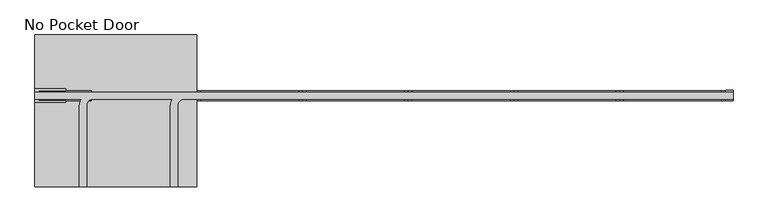
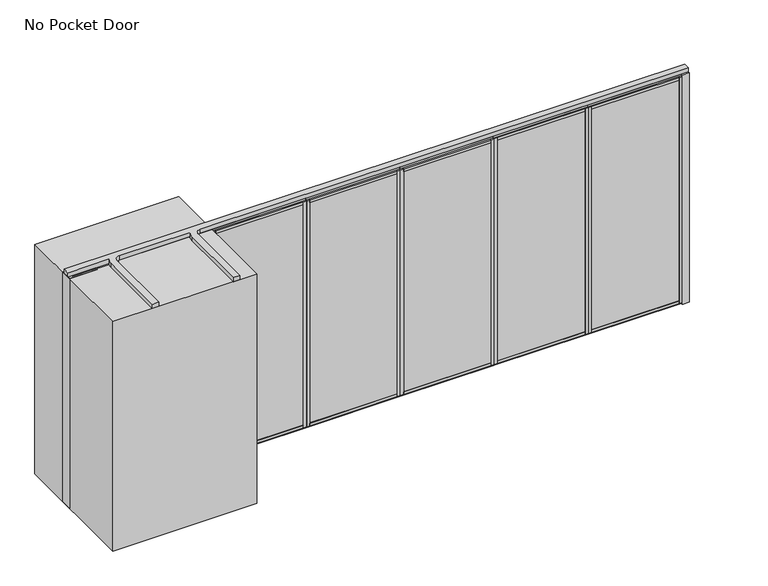
"""IFC4 building model written with IfcOpenShell, lengths in millimetres: proxy geometry, No Pocket Door."""

from ifc_helpers import new_model, si_unit, point, frame, frame_2d, origin, origin_with_axes, place, context, project, spatial, polyline, circle_curve, trimmed, segment, composite_curve, outline, extrude, source, transform, mapped, element, save


def no_pocket_door_28fb4e75(model_context):
    return source(origin(), model_context, "Body", "SweptSolid", [
        extrude(outline(polyline([(3361.101883, 34.13125), (4423.4039664, 34.13125), (4423.4039664, -34.13125), (3361.101883, -34.13125), (3361.101883, 34.13125)])), origin_with_axes(), (0.0, 0.0, 1.0), 22.225),
        extrude(outline(polyline([(3361.101883, 34.13125), (4423.4039664, 34.13125), (4423.4039664, -34.13125), (3361.101883, -34.13125), (3361.101883, 34.13125)])), frame((0.0, 0.0, 2720.975), z_axis=(0.0, 0.0, 1.0), x_axis=(1.0, 0.0, 0.0)), (0.0, 0.0, 1.0), 22.225),
        extrude(outline(polyline([(3396.280883, -50.8), (3361.355883, -50.8), (3361.355883, 50.8), (3396.280883, 50.8), (3396.280883, -50.8)])), frame((0.0, 0.0, 22.225), z_axis=(0.0, 0.0, 1.0), x_axis=(1.0, 0.0, 0.0)), (0.0, 0.0, 1.0), 2698.75),
        extrude(outline(polyline([(4388.2249664, -50.8), (4388.2249664, 50.8), (4423.1499664, 50.8), (4423.1499664, -50.8), (4388.2249664, -50.8)])), frame((0.0, 0.0, 22.225), z_axis=(0.0, 0.0, 1.0), x_axis=(1.0, 0.0, 0.0)), (0.0, 0.0, 1.0), 2698.75),
        extrude(outline(polyline([(0.0, 9.525), (1036.9020834, 9.525), (1036.9020834, 0.0), (0.0, 0.0), (0.0, 9.525)])), frame((4410.7039664, -36.5125, 52.3875), z_axis=(0.0, 1.4530598946293796e-12, 1.0), x_axis=(-1.0, 0.0, 0.0)), (0.0, 0.0, 1.0), 2638.425),
        extrude(outline(polyline([(0.0, 7.9375), (1036.9020834, 7.9375), (1036.9020834, 0.0), (0.0, 0.0), (0.0, 7.9375)])), frame((4410.7039664, 44.45, 52.3875), z_axis=(0.0, -1.775646296664526e-12, 1.0), x_axis=(-1.0, 0.0, 0.0)), (0.0, 0.0, 1.0), 2638.425),
        extrude(outline(polyline([(36.5125, 2605.0875), (-36.5125, 2605.0875), (-36.5125, 2690.8125), (-50.8, 2690.8125), (-50.8, 2720.975), (50.8, 2720.975), (50.8, 2690.8125), (36.5125, 2690.8125), (36.5125, 2605.0875)])), frame((3396.280883, 0.0, 0.0), z_axis=(1.0, 0.0, 0.0), x_axis=(0.0, 1.0, 0.0)), (0.0, 0.0, 1.0), 991.9440833),
        extrude(outline(polyline([(50.8, 22.225), (-50.8, 22.225), (-50.8, 52.3875), (-36.5125, 52.3875), (-36.5125, 138.1125), (36.5125, 138.1125), (36.5125, 52.3875), (50.8, 52.3875), (50.8, 22.225)])), frame((3396.280883, 0.0, 0.0), z_axis=(1.0, 0.0, 0.0), x_axis=(0.0, 1.0, 0.0)), (0.0, 0.0, 1.0), 991.9440833),
        extrude(outline(polyline([(2299.7522997, 34.13125), (3362.054383, 34.13125), (3362.054383, -34.13125), (2299.7522997, -34.13125), (2299.7522997, 34.13125)])), origin_with_axes(), (0.0, 0.0, 1.0), 22.225),
        extrude(outline(polyline([(2299.7522997, 34.13125), (3362.054383, 34.13125), (3362.054383, -34.13125), (2299.7522997, -34.13125), (2299.7522997, 34.13125)])), frame((0.0, 0.0, 2720.975), z_axis=(0.0, 0.0, 1.0), x_axis=(1.0, 0.0, 0.0)), (0.0, 0.0, 1.0), 22.225),
        extrude(outline(polyline([(2334.9312997, -50.8), (2300.0062997, -50.8), (2300.0062997, 50.8), (2334.9312997, 50.8), (2334.9312997, -50.8)])), frame((0.0, 0.0, 22.225), z_axis=(0.0, 0.0, 1.0), x_axis=(1.0, 0.0, 0.0)), (0.0, 0.0, 1.0), 2698.75),
        extrude(outline(polyline([(3326.875383, -50.8), (3326.875383, 50.8), (3361.800383, 50.8), (3361.800383, -50.8), (3326.875383, -50.8)])), frame((0.0, 0.0, 22.225), z_axis=(0.0, 0.0, 1.0), x_axis=(1.0, 0.0, 0.0)), (0.0, 0.0, 1.0), 2698.75),
        extrude(outline(polyline([(0.0, 9.525), (1036.9020833, 9.525), (1036.9020833, 0.0), (0.0, 0.0), (0.0, 9.525)])), frame((3349.354383, -36.5125, 52.3875), z_axis=(0.0, 1.4530598946293796e-12, 1.0), x_axis=(-1.0, 0.0, 0.0)), (0.0, 0.0, 1.0), 2638.425),
        extrude(outline(polyline([(0.0, 7.9375), (1036.9020833, 7.9375), (1036.9020833, 0.0), (0.0, 0.0), (0.0, 7.9375)])), frame((3349.354383, 44.45, 52.3875), z_axis=(0.0, -1.775646296664526e-12, 1.0), x_axis=(-1.0, 0.0, 0.0)), (0.0, 0.0, 1.0), 2638.425),
        extrude(outline(polyline([(36.5125, 2605.0875), (-36.5125, 2605.0875), (-36.5125, 2690.8125), (-50.8, 2690.8125), (-50.8, 2720.975), (50.8, 2720.975), (50.8, 2690.8125), (36.5125, 2690.8125), (36.5125, 2605.0875)])), frame((2334.9312997, 0.0, 0.0), z_axis=(1.0, 0.0, 0.0), x_axis=(0.0, 1.0, 0.0)), (0.0, 0.0, 1.0), 991.9440833),
        extrude(outline(polyline([(50.8, 22.225), (-50.8, 22.225), (-50.8, 52.3875), (-36.5125, 52.3875), (-36.5125, 138.1125), (36.5125, 138.1125), (36.5125, 52.3875), (50.8, 52.3875), (50.8, 22.225)])), frame((2334.9312997, 0.0, 0.0), z_axis=(1.0, 0.0, 0.0), x_axis=(0.0, 1.0, 0.0)), (0.0, 0.0, 1.0), 991.9440833),
        extrude(outline(polyline([(1238.4027164, 34.13125), (2300.7047997, 34.13125), (2300.7047997, -34.13125), (1238.4027164, -34.13125), (1238.4027164, 34.13125)])), origin_with_axes(), (0.0, 0.0, 1.0), 22.225),
        extrude(outline(polyline([(1238.4027164, 34.13125), (2300.7047997, 34.13125), (2300.7047997, -34.13125), (1238.4027164, -34.13125), (1238.4027164, 34.13125)])), frame((0.0, 0.0, 2720.975), z_axis=(0.0, 0.0, 1.0), x_axis=(1.0, 0.0, 0.0)), (0.0, 0.0, 1.0), 22.225),
        extrude(outline(polyline([(1273.5817164, -50.8), (1238.6567164, -50.8), (1238.6567164, 50.8), (1273.5817164, 50.8), (1273.5817164, -50.8)])), frame((0.0, 0.0, 22.225), z_axis=(0.0, 0.0, 1.0), x_axis=(1.0, 0.0, 0.0)), (0.0, 0.0, 1.0), 2698.75),
        extrude(outline(polyline([(2265.5257997, -50.8), (2265.5257997, 50.8), (2300.4507997, 50.8), (2300.4507997, -50.8), (2265.5257997, -50.8)])), frame((0.0, 0.0, 22.225), z_axis=(0.0, 0.0, 1.0), x_axis=(1.0, 0.0, 0.0)), (0.0, 0.0, 1.0), 2698.75),
        extrude(outline(polyline([(0.0, 9.525), (1036.9020833, 9.525), (1036.9020833, 0.0), (0.0, 0.0), (0.0, 9.525)])), frame((2288.0047997, -36.5125, 52.3875), z_axis=(0.0, 1.4530598946293796e-12, 1.0), x_axis=(-1.0, 0.0, 0.0)), (0.0, 0.0, 1.0), 2638.425),
        extrude(outline(polyline([(0.0, 7.9375), (1036.9020833, 7.9375), (1036.9020833, 0.0), (0.0, 0.0), (0.0, 7.9375)])), frame((2288.0047997, 44.45, 52.3875), z_axis=(0.0, -1.775646296664526e-12, 1.0), x_axis=(-1.0, 0.0, 0.0)), (0.0, 0.0, 1.0), 2638.425),
        extrude(outline(polyline([(36.5125, 2605.0875), (-36.5125, 2605.0875), (-36.5125, 2690.8125), (-50.8, 2690.8125), (-50.8, 2720.975), (50.8, 2720.975), (50.8, 2690.8125), (36.5125, 2690.8125), (36.5125, 2605.0875)])), frame((1273.5817164, 0.0, 0.0), z_axis=(1.0, 0.0, 0.0), x_axis=(0.0, 1.0, 0.0)), (0.0, 0.0, 1.0), 991.9440833),
        extrude(outline(polyline([(50.8, 22.225), (-50.8, 22.225), (-50.8, 52.3875), (-36.5125, 52.3875), (-36.5125, 138.1125), (36.5125, 138.1125), (36.5125, 52.3875), (50.8, 52.3875), (50.8, 22.225)])), frame((1273.5817164, 0.0, 0.0), z_axis=(1.0, 0.0, 0.0), x_axis=(0.0, 1.0, 0.0)), (0.0, 0.0, 1.0), 991.9440833),
        extrude(outline(polyline([(177.053133, 34.13125), (1239.3552164, 34.13125), (1239.3552164, -34.13125), (177.053133, -34.13125), (177.053133, 34.13125)])), origin_with_axes(), (0.0, 0.0, 1.0), 22.225),
        extrude(outline(polyline([(177.053133, 34.13125), (1239.3552164, 34.13125), (1239.3552164, -34.13125), (177.053133, -34.13125), (177.053133, 34.13125)])), frame((0.0, 0.0, 2720.975), z_axis=(0.0, 0.0, 1.0), x_axis=(1.0, 0.0, 0.0)), (0.0, 0.0, 1.0), 22.225),
        extrude(outline(polyline([(212.232133, -50.8), (177.307133, -50.8), (177.307133, 50.8), (212.232133, 50.8), (212.232133, -50.8)])), frame((0.0, 0.0, 22.225), z_axis=(0.0, 0.0, 1.0), x_axis=(1.0, 0.0, 0.0)), (0.0, 0.0, 1.0), 2698.75),
        extrude(outline(polyline([(1204.1762164, -50.8), (1204.1762164, 50.8), (1239.1012164, 50.8), (1239.1012164, -50.8), (1204.1762164, -50.8)])), frame((0.0, 0.0, 22.225), z_axis=(0.0, 0.0, 1.0), x_axis=(1.0, 0.0, 0.0)), (0.0, 0.0, 1.0), 2698.75),
        extrude(outline(polyline([(0.0, 9.525), (1036.9020834, 9.525), (1036.9020834, 0.0), (0.0, 0.0), (0.0, 9.525)])), frame((1226.6552164, -36.5125, 52.3875), z_axis=(0.0, 1.4530598946293796e-12, 1.0), x_axis=(-1.0, 0.0, 0.0)), (0.0, 0.0, 1.0), 2638.425),
        extrude(outline(polyline([(0.0, 7.9375), (1036.9020834, 7.9375), (1036.9020834, 0.0), (0.0, 0.0), (0.0, 7.9375)])), frame((1226.6552164, 44.45, 52.3875), z_axis=(0.0, -1.775646296664526e-12, 1.0), x_axis=(-1.0, 0.0, 0.0)), (0.0, 0.0, 1.0), 2638.425),
        extrude(outline(polyline([(36.5125, 2605.0875), (-36.5125, 2605.0875), (-36.5125, 2690.8125), (-50.8, 2690.8125), (-50.8, 2720.975), (50.8, 2720.975), (50.8, 2690.8125), (36.5125, 2690.8125), (36.5125, 2605.0875)])), frame((212.232133, 0.0, 0.0), z_axis=(1.0, 0.0, 0.0), x_axis=(0.0, 1.0, 0.0)), (0.0, 0.0, 1.0), 991.9440833),
        extrude(outline(polyline([(50.8, 22.225), (-50.8, 22.225), (-50.8, 52.3875), (-36.5125, 52.3875), (-36.5125, 138.1125), (36.5125, 138.1125), (36.5125, 52.3875), (50.8, 52.3875), (50.8, 22.225)])), frame((212.232133, 0.0, 0.0), z_axis=(1.0, 0.0, 0.0), x_axis=(0.0, 1.0, 0.0)), (0.0, 0.0, 1.0), 991.9440833),
        extrude(outline(polyline([(4422.4514664, 34.13125), (5484.7535497, 34.13125), (5484.7535497, -34.13125), (4422.4514664, -34.13125), (4422.4514664, 34.13125)])), origin_with_axes(), (0.0, 0.0, 1.0), 22.225),
        extrude(outline(polyline([(4422.4514664, 34.13125), (5484.7535497, 34.13125), (5484.7535497, -34.13125), (4422.4514664, -34.13125), (4422.4514664, 34.13125)])), frame((0.0, 0.0, 2720.975), z_axis=(0.0, 0.0, 1.0), x_axis=(1.0, 0.0, 0.0)), (0.0, 0.0, 1.0), 22.225),
        extrude(outline(polyline([(4457.6304664, -50.8), (4422.7054664, -50.8), (4422.7054664, 50.8), (4457.6304664, 50.8), (4457.6304664, -50.8)])), frame((0.0, 0.0, 22.225), z_axis=(0.0, 0.0, 1.0), x_axis=(1.0, 0.0, 0.0)), (0.0, 0.0, 1.0), 2698.75),
        extrude(outline(polyline([(5449.5745497, -50.8), (5449.5745497, 50.8), (5484.4995497, 50.8), (5484.4995497, -50.8), (5449.5745497, -50.8)])), frame((0.0, 0.0, 22.225), z_axis=(0.0, 0.0, 1.0), x_axis=(1.0, 0.0, 0.0)), (0.0, 0.0, 1.0), 2698.75),
        extrude(outline(polyline([(0.0, 9.525), (1036.9020833, 9.525), (1036.9020833, 0.0), (0.0, 0.0), (0.0, 9.525)])), frame((5472.0535497, -36.5125, 52.3875), z_axis=(0.0, 1.4530598946293796e-12, 1.0), x_axis=(-1.0, 0.0, 0.0)), (0.0, 0.0, 1.0), 2638.425),
        extrude(outline(polyline([(0.0, 7.9375), (1036.9020833, 7.9375), (1036.9020833, 0.0), (0.0, 0.0), (0.0, 7.9375)])), frame((5472.0535497, 44.45, 52.3875), z_axis=(0.0, -1.775646296664526e-12, 1.0), x_axis=(-1.0, 0.0, 0.0)), (0.0, 0.0, 1.0), 2638.425),
        extrude(outline(polyline([(36.5125, 2605.0875), (-36.5125, 2605.0875), (-36.5125, 2690.8125), (-50.8, 2690.8125), (-50.8, 2720.975), (50.8, 2720.975), (50.8, 2690.8125), (36.5125, 2690.8125), (36.5125, 2605.0875)])), frame((4457.6304664, 0.0, 0.0), z_axis=(1.0, 0.0, 0.0), x_axis=(0.0, 1.0, 0.0)), (0.0, 0.0, 1.0), 991.9440833),
        extrude(outline(polyline([(50.8, 22.225), (-50.8, 22.225), (-50.8, 52.3875), (-36.5125, 52.3875), (-36.5125, 138.1125), (36.5125, 138.1125), (36.5125, 52.3875), (50.8, 52.3875), (50.8, 22.225)])), frame((4457.6304664, 0.0, 0.0), z_axis=(1.0, 0.0, 0.0), x_axis=(0.0, 1.0, 0.0)), (0.0, 0.0, 1.0), 991.9440833),
        extrude(outline(polyline([(-1138.2964503, -68.2625), (-1449.4464503, -68.2625), (-1449.4464503, 68.2625), (-1138.2964503, 68.2625), (-1138.2964503, 50.8), (-1411.3464503, 50.8), (-1411.3464503, -50.8), (-1138.2964503, -50.8), (-1138.2964503, -68.2625)])), origin_with_axes(), (0.0, 0.0, 1.0), 2743.2),
        extrude(outline(polyline([(-884.2964503, -50.8), (-1182.7464503, -50.8), (-1182.7464503, 50.8), (-884.2964503, 50.8), (-884.2964503, -50.8)])), origin_with_axes(), (0.0, 0.0, 1.0), 2743.2),
        extrude(outline(polyline([(5560.9535497, -53.975), (5484.7535497, -53.975), (5484.7535497, 53.975), (5560.9535497, 53.975), (5560.9535497, -53.975)])), origin_with_axes(), (0.0, 0.0, 1.0), 2743.2),
        extrude(outline(polyline([(-884.2964503, 34.13125), (178.005633, 34.13125), (178.005633, -34.13125), (-884.2964503, -34.13125), (-884.2964503, 34.13125)])), origin_with_axes(), (0.0, 0.0, 1.0), 22.225),
        extrude(outline(polyline([(-884.2964503, 34.13125), (178.005633, 34.13125), (178.005633, -34.13125), (-884.2964503, -34.13125), (-884.2964503, 34.13125)])), frame((0.0, 0.0, 2720.975), z_axis=(0.0, 0.0, 1.0), x_axis=(1.0, 0.0, 0.0)), (0.0, 0.0, 1.0), 22.225),
        extrude(outline(polyline([(-849.1174503, -50.8), (-884.0424503, -50.8), (-884.0424503, 50.8), (-849.1174503, 50.8), (-849.1174503, -50.8)])), frame((0.0, 0.0, 22.225), z_axis=(0.0, 0.0, 1.0), x_axis=(1.0, 0.0, 0.0)), (0.0, 0.0, 1.0), 2698.75),
        extrude(outline(polyline([(142.826633, -50.8), (142.826633, 50.8), (177.751633, 50.8), (177.751633, -50.8), (142.826633, -50.8)])), frame((0.0, 0.0, 22.225), z_axis=(0.0, 0.0, 1.0), x_axis=(1.0, 0.0, 0.0)), (0.0, 0.0, 1.0), 2698.75),
        extrude(outline(polyline([(0.0, 9.525), (1036.9020833, 9.525), (1036.9020833, 0.0), (0.0, 0.0), (0.0, 9.525)])), frame((165.305633, -36.5125, 52.3875), z_axis=(0.0, 1.4530598946293796e-12, 1.0), x_axis=(-1.0, 0.0, 0.0)), (0.0, 0.0, 1.0), 2638.425),
        extrude(outline(polyline([(0.0, 7.9375), (1036.9020833, 7.9375), (1036.9020833, 0.0), (0.0, 0.0), (0.0, 7.9375)])), frame((165.305633, 44.45, 52.3875), z_axis=(0.0, -1.775646296664526e-12, 1.0), x_axis=(-1.0, 0.0, 0.0)), (0.0, 0.0, 1.0), 2638.425),
        extrude(outline(polyline([(36.5125, 2605.0875), (-36.5125, 2605.0875), (-36.5125, 2690.8125), (-50.8, 2690.8125), (-50.8, 2720.975), (50.8, 2720.975), (50.8, 2690.8125), (36.5125, 2690.8125), (36.5125, 2605.0875)])), frame((-849.1174503, 0.0, 0.0), z_axis=(1.0, 0.0, 0.0), x_axis=(0.0, 1.0, 0.0)), (0.0, 0.0, 1.0), 991.9440833),
        extrude(outline(polyline([(50.8, 22.225), (-50.8, 22.225), (-50.8, 52.3875), (-36.5125, 52.3875), (-36.5125, 138.1125), (36.5125, 138.1125), (36.5125, 52.3875), (50.8, 52.3875), (50.8, 22.225)])), frame((-849.1174503, 0.0, 0.0), z_axis=(1.0, 0.0, 0.0), x_axis=(0.0, 1.0, 0.0)), (0.0, 0.0, 1.0), 991.9440833),
        extrude(outline(polyline([(176.1535497, 609.6), (176.1535497, -914.4), (-1449.4464503, -914.4), (-1449.4464503, 609.6), (176.1535497, 609.6)])), origin_with_axes(), (0.0, 0.0, 1.0), 2743.2),
        extrude(outline(composite_curve([segment(polyline([(-1449.4464503, 35.71875), (5560.9535497, 35.71875), (5560.9535497, -35.71875), (49.1535497, -35.71875)]), True, "CONTINUOUS"), segment(trimmed(circle_curve(frame_2d((49.1535497, -101.6)), 65.88125), [point((49.1535497, -35.71875))], [point((-16.7277003, -101.6))], True, "CARTESIAN"), True, "CONTINUOUS"), segment(polyline([(-16.7277003, -101.6), (-16.7277003, -914.4), (-88.1652003, -914.4), (-88.1652003, -101.6)]), True, "CONTINUOUS"), segment(trimmed(circle_curve(frame_2d((49.1535497, -101.6)), 137.31875), [point((-88.1652003, -101.6))], [point((-71.3292291, -35.71875))], False, "CARTESIAN"), True, "CONTINUOUS"), segment(polyline([(-71.3292291, -35.71875), (-865.2464503, -35.71875)]), True, "CONTINUOUS"), segment(trimmed(circle_curve(frame_2d((-865.2464503, -101.6)), 65.88125), [point((-865.2464503, -35.71875))], [point((-931.1277003, -101.6))], True, "CARTESIAN"), True, "CONTINUOUS"), segment(polyline([(-931.1277003, -101.6), (-931.1277003, -914.4), (-1002.5652003, -914.4), (-1002.5652003, -101.6)]), True, "CONTINUOUS"), segment(trimmed(circle_curve(frame_2d((-865.2464503, -101.6)), 137.31875), [point((-1002.5652003, -101.6))], [point((-985.7292291, -35.71875))], False, "CARTESIAN"), True, "CONTINUOUS"), segment(polyline([(-985.7292291, -35.71875), (-1449.4464503, -35.71875), (-1449.4464503, 35.71875)]), True, "CONTINUOUS")], self_intersect=False)), frame((0.0, 0.0, 2743.2), z_axis=(0.0, 0.0, 1.0), x_axis=(1.0, 0.0, 0.0)), (0.0, 0.0, 1.0), 50.8),
    ])


if __name__ == "__main__":
    model = new_model("IFC4")
    model_context = context("Model", 3, world=origin())
    ifc_project = project(units=[si_unit("LENGTHUNIT", "METRE", prefix="MILLI")], contexts=[model_context])
    site = spatial("IfcSite", under=ifc_project)
    building = spatial("IfcBuilding", under=site)
    placement = place(None, origin())
    no_pocket_door_shape = no_pocket_door_28fb4e75(model_context)
    element("IfcBuildingElementProxy", 1, Name="No Pocket Door", ObjectType="No Pocket Door", at=placement, inside=building, context=model_context, shape_type="MappedRepresentation", body=[
        mapped(no_pocket_door_shape, transform((0.0, 0.0, 0.0), x_axis=(1.0, 0.0, 0.0), y_axis=(0.0, 1.0, 0.0), z_axis=(0.0, 0.0, 1.0))),
    ])
    save(model, "model.ifc")
